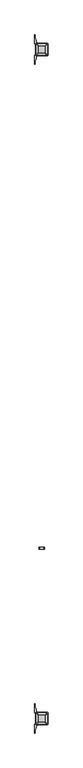
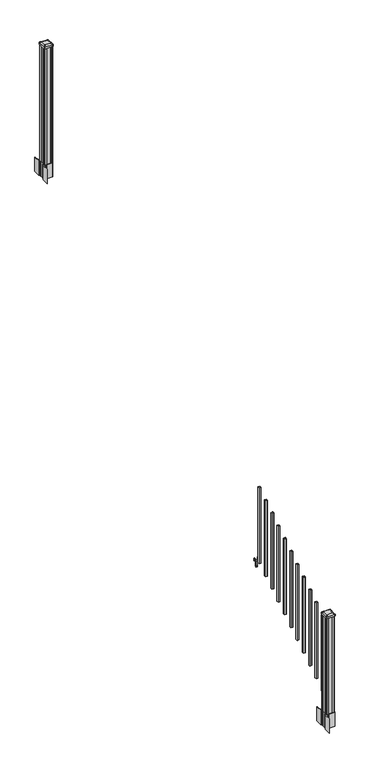
"""IFC4 building model written with IfcOpenShell, lengths in millimetres: railing geometry."""

import ifcopenshell
import ifcopenshell.guid

model = None  # the IFC model being written
_history = None  # IfcOwnerHistory: only IFC2X3 demands one
_inside = {}  # id of a spatial element -> (the spatial element, [elements in it])
_under = {}  # id of a project, library or spatial element -> (it, [spatial elements below it])
_declared = {}  # id of a project -> (the project, [libraries it declares])
_typed = {}  # id of a type object -> (the type object, [elements of that type])
_made_of = {}  # id of a material, layer set ... -> (it, [elements and type objects made of it])


def new_model(schema):
    """Start an empty IFC model of exactly this schema.

    Asked for "IFC4X3", IfcOpenShell would pick the latest addendum, in which some entities
    have other attributes; the version numbers below select the first issue.
    IFC2X3 requires an IfcOwnerHistory on every rooted entity: one is made here for all.
    """
    global model, _history
    if schema == "IFC4X3":
        model = ifcopenshell.file(schema_version=(4, 3, 0, 0))
    else:
        model = ifcopenshell.file(schema=schema)
    _inside.clear()
    _under.clear()
    _declared.clear()
    _typed.clear()
    _made_of.clear()
    _history = None
    if model.schema == "IFC2X3":
        org = make("IfcOrganization", Name="unknown")
        user = make(
            "IfcPersonAndOrganization",
            ThePerson=make("IfcPerson", FamilyName="unknown"),
            TheOrganization=org,
        )
        app = make(
            "IfcApplication",
            ApplicationDeveloper=org,
            Version="unknown",
            ApplicationFullName="unknown",
            ApplicationIdentifier="unknown",
        )
        _history = make(
            "IfcOwnerHistory",
            OwningUser=user,
            OwningApplication=app,
            ChangeAction="ADDED",
            CreationDate=0,
        )
    return model


def make(cls, **values):
    """One entity of the class cls with the attributes given. An attribute that is None is left unset."""
    return model.create_entity(
        cls, **{name: value for name, value in values.items() if value is not None}
    )


def rooted(cls, **values):
    """An entity with a GlobalId (a new one), such as an element, a storey or a relation."""
    return make(cls, GlobalId=ifcopenshell.guid.new(), OwnerHistory=_history, **values)


def si_unit(unit_type, name, prefix=None):
    """IfcSIUnit, for example si_unit("LENGTHUNIT", "METRE", prefix="MILLI")."""
    return make("IfcSIUnit", UnitType=unit_type, Prefix=prefix, Name=name)


def assignment(units):
    """IfcUnitAssignment: the units of a project."""
    return None if units is None else make("IfcUnitAssignment", Units=units)


def point(xyz):
    """IfcCartesianPoint."""
    return None if xyz is None else make("IfcCartesianPoint", Coordinates=xyz)


def direction(xyz):
    """IfcDirection."""
    return None if xyz is None else make("IfcDirection", DirectionRatios=xyz)


def frame(location, z_axis=None, x_axis=None):
    """IfcAxis2Placement3D, a coordinate frame: its origin and axes. An axis left out is left unset."""
    return make(
        "IfcAxis2Placement3D",
        Location=point(location),
        Axis=direction(z_axis),
        RefDirection=direction(x_axis),
    )


def frame_2d(location, x_axis=None):
    """IfcAxis2Placement2D, a coordinate frame in the plane: its origin and x axis."""
    return make(
        "IfcAxis2Placement2D", Location=point(location), RefDirection=direction(x_axis)
    )


def origin():
    """The frame at (0, 0, 0) with its axes left unset."""
    return frame((0.0, 0.0, 0.0))


def place(relative_to, where):
    """IfcLocalPlacement: puts the frame where relative to a parent placement (None: the world)."""
    return make(
        "IfcLocalPlacement", PlacementRelTo=relative_to, RelativePlacement=where
    )


def context(
    kind, dimensions, precision=None, world=None, true_north=None, identifier=None
):
    """IfcGeometricRepresentationContext, for example the 3D "Model" context."""
    return make(
        "IfcGeometricRepresentationContext",
        ContextIdentifier=identifier,
        ContextType=kind,
        CoordinateSpaceDimension=dimensions,
        Precision=precision,
        WorldCoordinateSystem=world,
        TrueNorth=true_north,
    )


def project(units=None, contexts=None):
    """IfcProject with its units and contexts."""
    return rooted(
        "IfcProject",
        Name="project",
        RepresentationContexts=contexts,
        UnitsInContext=assignment(units),
    )


def spatial(cls, under=None, at=None, **own):
    """A site, building, storey or space (cls), placed at a placement, below another one or the project."""
    s = rooted(cls, ObjectPlacement=at, **own)
    if under is not None:
        _under.setdefault(under.id(), (under, []))[1].append(s)
    return s


def polyline(points):
    """IfcPolyline through the points."""
    return make("IfcPolyline", Points=[point(p) for p in points])


def circle_curve(where, radius):
    """IfcCircle in the frame where."""
    return make("IfcCircle", Position=where, Radius=radius)


def trimmed(basis, trim1, trim2, sense, master):
    """IfcTrimmedCurve: the piece of a basis curve between two trims."""
    return make(
        "IfcTrimmedCurve",
        BasisCurve=basis,
        Trim1=trim1,
        Trim2=trim2,
        SenseAgreement=sense,
        MasterRepresentation=master,
    )


def segment(curve, same_sense, transition):
    """IfcCompositeCurveSegment."""
    return make(
        "IfcCompositeCurveSegment",
        Transition=transition,
        SameSense=same_sense,
        ParentCurve=curve,
    )


def composite_curve(segments, self_intersect=None):
    """IfcCompositeCurve: segments joined end to end."""
    return make("IfcCompositeCurve", Segments=segments, SelfIntersect=self_intersect)


def outline(outer, holes=None, kind="AREA"):
    """IfcArbitraryClosedProfileDef: a profile drawn as a closed curve; with holes, ...WithVoids."""
    if holes is None:
        return make("IfcArbitraryClosedProfileDef", ProfileType=kind, OuterCurve=outer)
    return make(
        "IfcArbitraryProfileDefWithVoids",
        ProfileType=kind,
        OuterCurve=outer,
        InnerCurves=holes,
    )


def extrude(swept, where, along, depth):
    """IfcExtrudedAreaSolid: the profile swept, set in the frame where, extruded along a direction by depth."""
    return make(
        "IfcExtrudedAreaSolid",
        SweptArea=swept,
        Position=where,
        ExtrudedDirection=direction(along),
        Depth=depth,
    )


def shape(context_of_items, identifier, shape_type, items):
    """IfcShapeRepresentation: the items that make up one representation, for example the "Body"."""
    return make(
        "IfcShapeRepresentation",
        ContextOfItems=context_of_items,
        RepresentationIdentifier=identifier,
        RepresentationType=shape_type,
        Items=items,
    )


def source(mapping_origin, context_of_items, identifier, shape_type, items):
    """IfcRepresentationMap: a shape defined once, which mapped items show again and again."""
    return make(
        "IfcRepresentationMap",
        MappingOrigin=mapping_origin,
        MappedRepresentation=shape(context_of_items, identifier, shape_type, items),
    )


def transform(
    local_origin,
    x_axis=None,
    y_axis=None,
    z_axis=None,
    scale=None,
    scale2=None,
    scale3=None,
    uniform=True,
):
    """IfcCartesianTransformationOperator3D, or its non-uniform kind. x_axis, y_axis, z_axis: its Axis1, 2, 3."""
    if uniform:
        return make(
            "IfcCartesianTransformationOperator3D",
            Axis1=direction(x_axis),
            Axis2=direction(y_axis),
            LocalOrigin=point(local_origin),
            Scale=scale,
            Axis3=direction(z_axis),
        )
    return make(
        "IfcCartesianTransformationOperator3DnonUniform",
        Axis1=direction(x_axis),
        Axis2=direction(y_axis),
        LocalOrigin=point(local_origin),
        Scale=scale,
        Axis3=direction(z_axis),
        Scale2=scale2,
        Scale3=scale3,
    )


def mapped(mapping_source, mapping_target):
    """IfcMappedItem: shows the shape of a source again, moved by a transform."""
    return make(
        "IfcMappedItem", MappingSource=mapping_source, MappingTarget=mapping_target
    )


def made_of(thing, what):
    """Note that an element or type object is made of a material, layer set ...; save() writes the relation."""
    if what is not None:
        _made_of.setdefault(what.id(), (what, []))[1].append(thing)
    return thing


def element(
    cls,
    number,
    at=None,
    inside=None,
    cuts=None,
    type_object=None,
    material=None,
    context=None,
    identifier="Body",
    shape_type=None,
    held_by="IfcProductDefinitionShape",
    body=None,
    shapes=None,
    **own,
):
    """One element of the class cls, such as IfcWall. Its Tag is "e" and its number.

    at: its placement. inside: the storey or other place that contains it. cuts: it is an
    opening in that element (IfcRelVoidsElement). A single representation is given by context,
    identifier, shape_type and body (its items); several are given by shapes. held_by: the class
    of the entity that holds the representations. save() writes the other relations.
    """
    e = rooted(cls, Tag="e%d" % number, ObjectPlacement=at, **own)
    if body is not None:
        shapes = [shape(context, identifier, shape_type, body)]
    if shapes is not None:
        e.Representation = make(held_by, Representations=shapes)
    if inside is not None:
        _inside.setdefault(inside.id(), (inside, []))[1].append(e)
    if cuts is not None:
        rooted(
            "IfcRelVoidsElement", RelatingBuildingElement=cuts, RelatedOpeningElement=e
        )
    if type_object is not None:
        _typed.setdefault(type_object.id(), (type_object, []))[1].append(e)
    return made_of(e, material)


def aggregate(whole, parts):
    """IfcRelAggregates: a whole, such as a stair, and the parts it consists of."""
    return rooted("IfcRelAggregates", RelatingObject=whole, RelatedObjects=parts)


def save(model, path):
    """Write the relations noted so far, then the file.

    IfcRelAggregates (storeys below a building ...), IfcRelContainedInSpatialStructure (elements
    in a storey), IfcRelDefinesByType, IfcRelAssociatesMaterial and IfcRelDeclares: one each for
    every whole, place, type object, material and project.
    """
    for whole, parts in _under.values():
        aggregate(whole, parts)
    for where, things in _inside.values():
        rooted(
            "IfcRelContainedInSpatialStructure",
            RelatedElements=things,
            RelatingStructure=where,
        )
    for kind, things in _typed.values():
        rooted("IfcRelDefinesByType", RelatedObjects=things, RelatingType=kind)
    for what, things in _made_of.values():
        rooted("IfcRelAssociatesMaterial", RelatedObjects=things, RelatingMaterial=what)
    for by, libraries in _declared.values():
        rooted("IfcRelDeclares", RelatingContext=by, RelatedDefinitions=libraries)
    model.write(path)


def plane_surface(at):
    """IfcPlane: the flat surface through the origin of the frame at, square to its z axis."""
    return make("IfcPlane", Position=at)


def extruded_surface(curve, direction_of_extrusion, depth):
    """IfcSurfaceOfLinearExtrusion: the curve pushed along a direction by depth."""
    return make(
        "IfcSurfaceOfLinearExtrusion",
        SweptCurve=make("IfcArbitraryOpenProfileDef", ProfileType="CURVE", Curve=curve),
        ExtrudedDirection=direction(direction_of_extrusion),
        Depth=depth,
    )


def advanced_brep(points, edges, surfaces, faces):
    """IfcAdvancedBrep: a solid bounded by faces that lie on surfaces and meet in shared edges.

    An edge is (start, end): straight between two places in points (the first is 0);
    or (start, end, curve); or (start, end, curve, False) where it runs against its curve.
    A face is (place in surfaces, loops), or (place, loops, False) where it looks against
    its surface's normal. A loop lists edges by number (the first is 1), with a minus sign
    where the edge is run from its end to its start. The first loop is the outer one.
    """
    corners = [point(p) for p in points]
    vertices = [make("IfcVertexPoint", VertexGeometry=c) for c in corners]
    made = []
    for start, end, *more in edges:
        made.append(
            make(
                "IfcEdgeCurve",
                EdgeStart=vertices[start],
                EdgeEnd=vertices[end],
                EdgeGeometry=more[0] if more else make("IfcPolyline", Points=[corners[start], corners[end]]),
                SameSense=more[1] if len(more) > 1 else True,
            )
        )
    hull = []
    for where, loops, *sense in faces:
        bounds = []
        for j, loop in enumerate(loops):
            ring = [make("IfcOrientedEdge", EdgeElement=made[abs(k) - 1], Orientation=k > 0) for k in loop]
            bounds.append(
                make(
                    "IfcFaceOuterBound" if j == 0 else "IfcFaceBound",
                    Bound=make("IfcEdgeLoop", EdgeList=ring),
                    Orientation=True,
                )
            )
        hull.append(make("IfcAdvancedFace", Bounds=bounds, FaceSurface=surfaces[where], SameSense=sense[0] if sense else True))
    return make("IfcAdvancedBrep", Outer=make("IfcClosedShell", CfsFaces=hull))


def railing_d14e1f34(model_context):
    return source(origin(), model_context, "Body", "SolidModel", [
        extrude(outline(polyline([(1042.0141479, 11226.1192046), (1041.2521469, 11225.3572035), (1014.7617523, 11225.3572035), (1013.9997513, 11226.1192046), (1013.9997513, 11236.1522036), (1013.2377512, 11236.9142037), (949.7377512, 11236.9142037), (949.7377512, 11251.646204), (1013.2377512, 11251.646204), (1013.9997513, 11252.4082041), (1013.9997513, 11262.4412032), (1014.7617523, 11263.2032042), (1041.2521469, 11263.2032042), (1042.0141479, 11262.4412032), (1042.0141479, 11260.4092036), (1040.9981453, 11259.3932038), (1030.5623581, 11259.3932038), (1029.5463573, 11260.4092036), (1017.555751, 11260.4092036), (1016.7937519, 11259.6472044), (1016.7937519, 11228.9132033), (1017.555751, 11228.1512041), (1029.5463573, 11228.1512041), (1030.5623581, 11229.1672039), (1040.9981453, 11229.1672039), (1042.0141479, 11228.1512041), (1042.0141479, 11226.1192046)]), holes=[polyline([(1013.9997513, 11247.7092038), (1013.2377512, 11248.4712038), (957.2307531, 11248.4712038), (956.4687531, 11247.7092038), (956.4687531, 11240.8512011), (957.2307503, 11240.0892039), (1013.2377512, 11240.0892039), (1013.9997513, 11240.851204), (1013.9997513, 11247.7092038)])]), frame((0.0, -6456.7154681, 0.0), z_axis=(0.0, 1.0, 0.0), x_axis=(0.0, 0.0, 1.0)), (0.0, 0.0, 1.0), 14.732),
        extrude(outline(polyline([(11253.8052034, -6514.5004681), (11234.7552034, -6514.5004681), (11234.7552034, -6495.4504681), (11253.8052034, -6495.4504681), (11253.8052034, -6514.5004681)]), holes=[polyline([(11253.4083284, -6514.1035931), (11253.4083284, -6495.8473431), (11235.1520784, -6495.8473431), (11235.1520784, -6514.1035931), (11253.4083284, -6514.1035931)])]), frame((0.0, 0.0, 1020.1233781), z_axis=(0.0, 0.0, 1.0), x_axis=(1.0, 0.0, 0.0)), (0.0, 0.0, 1.0), 812.8041219),
        extrude(outline(polyline([(11253.8052034, -6625.7524681), (11234.7552034, -6625.7524681), (11234.7552034, -6606.7024681), (11253.8052034, -6606.7024681), (11253.8052034, -6625.7524681)]), holes=[polyline([(11253.4083284, -6625.3555931), (11253.4083284, -6607.0993431), (11235.1520784, -6607.0993431), (11235.1520784, -6625.3555931), (11253.4083284, -6625.3555931)])]), frame((0.0, 0.0, 950.5908781), z_axis=(0.0, 0.0, 1.0), x_axis=(1.0, 0.0, 0.0)), (0.0, 0.0, 1.0), 812.8041219),
        extrude(outline(polyline([(11253.8052034, -6737.0044681), (11234.7552034, -6737.0044681), (11234.7552034, -6717.9544681), (11253.8052034, -6717.9544681), (11253.8052034, -6737.0044681)]), holes=[polyline([(11253.4083284, -6736.6075931), (11253.4083284, -6718.3513431), (11235.1520784, -6718.3513431), (11235.1520784, -6736.6075931), (11253.4083284, -6736.6075931)])]), frame((0.0, 0.0, 881.0583781), z_axis=(0.0, 0.0, 1.0), x_axis=(1.0, 0.0, 0.0)), (0.0, 0.0, 1.0), 812.8041219),
        extrude(outline(polyline([(11253.8052034, -6848.2564681), (11234.7552034, -6848.2564681), (11234.7552034, -6829.2064681), (11253.8052034, -6829.2064681), (11253.8052034, -6848.2564681)]), holes=[polyline([(11253.4083284, -6847.8595931), (11253.4083284, -6829.6033431), (11235.1520784, -6829.6033431), (11235.1520784, -6847.8595931), (11253.4083284, -6847.8595931)])]), frame((0.0, 0.0, 811.5258781), z_axis=(0.0, 0.0, 1.0), x_axis=(1.0, 0.0, 0.0)), (0.0, 0.0, 1.0), 812.8041219),
        extrude(outline(polyline([(11253.8052034, -6959.5084681), (11234.7552034, -6959.5084681), (11234.7552034, -6940.4584681), (11253.8052034, -6940.4584681), (11253.8052034, -6959.5084681)]), holes=[polyline([(11253.4083284, -6959.1115931), (11253.4083284, -6940.8553431), (11235.1520784, -6940.8553431), (11235.1520784, -6959.1115931), (11253.4083284, -6959.1115931)])]), frame((0.0, 0.0, 741.9933781), z_axis=(0.0, 0.0, 1.0), x_axis=(1.0, 0.0, 0.0)), (0.0, 0.0, 1.0), 812.8041219),
        extrude(outline(polyline([(11253.8052034, -7070.7604681), (11234.7552034, -7070.7604681), (11234.7552034, -7051.7104681), (11253.8052034, -7051.7104681), (11253.8052034, -7070.7604681)]), holes=[polyline([(11253.4083284, -7070.3635931), (11253.4083284, -7052.1073431), (11235.1520784, -7052.1073431), (11235.1520784, -7070.3635931), (11253.4083284, -7070.3635931)])]), frame((0.0, 0.0, 672.4608781), z_axis=(0.0, 0.0, 1.0), x_axis=(1.0, 0.0, 0.0)), (0.0, 0.0, 1.0), 812.8041219),
        extrude(outline(polyline([(11253.8052034, -7182.0124681), (11234.7552034, -7182.0124681), (11234.7552034, -7162.9624681), (11253.8052034, -7162.9624681), (11253.8052034, -7182.0124681)]), holes=[polyline([(11253.4083284, -7181.6155931), (11253.4083284, -7163.3593431), (11235.1520784, -7163.3593431), (11235.1520784, -7181.6155931), (11253.4083284, -7181.6155931)])]), frame((0.0, 0.0, 602.9283781), z_axis=(0.0, 0.0, 1.0), x_axis=(1.0, 0.0, 0.0)), (0.0, 0.0, 1.0), 812.8041219),
        extrude(outline(polyline([(11253.8052034, -7293.2644681), (11234.7552034, -7293.2644681), (11234.7552034, -7274.2144681), (11253.8052034, -7274.2144681), (11253.8052034, -7293.2644681)]), holes=[polyline([(11253.4083284, -7292.8675931), (11253.4083284, -7274.6113431), (11235.1520784, -7274.6113431), (11235.1520784, -7292.8675931), (11253.4083284, -7292.8675931)])]), frame((0.0, 0.0, 533.3958781), z_axis=(0.0, 0.0, 1.0), x_axis=(1.0, 0.0, 0.0)), (0.0, 0.0, 1.0), 812.8041219),
        extrude(outline(polyline([(11253.8052034, -7404.5164681), (11234.7552034, -7404.5164681), (11234.7552034, -7385.4664681), (11253.8052034, -7385.4664681), (11253.8052034, -7404.5164681)]), holes=[polyline([(11253.4083284, -7404.1195931), (11253.4083284, -7385.8633431), (11235.1520784, -7385.8633431), (11235.1520784, -7404.1195931), (11253.4083284, -7404.1195931)])]), frame((0.0, 0.0, 463.8633781), z_axis=(0.0, 0.0, 1.0), x_axis=(1.0, 0.0, 0.0)), (0.0, 0.0, 1.0), 812.8041219),
        extrude(outline(polyline([(11253.8052034, -7515.7684681), (11234.7552034, -7515.7684681), (11234.7552034, -7496.7184681), (11253.8052034, -7496.7184681), (11253.8052034, -7515.7684681)]), holes=[polyline([(11253.4083284, -7515.3715931), (11253.4083284, -7497.1153431), (11235.1520784, -7497.1153431), (11235.1520784, -7515.3715931), (11253.4083284, -7515.3715931)])]), frame((0.0, 0.0, 394.3308781), z_axis=(0.0, 0.0, 1.0), x_axis=(1.0, 0.0, 0.0)), (0.0, 0.0, 1.0), 812.8041219),
        extrude(outline(polyline([(11253.8052034, -7627.0204681), (11234.7552034, -7627.0204681), (11234.7552034, -7607.9704681), (11253.8052034, -7607.9704681), (11253.8052034, -7627.0204681)]), holes=[polyline([(11253.4083284, -7626.6235931), (11253.4083284, -7608.3673431), (11235.1520784, -7608.3673431), (11235.1520784, -7626.6235931), (11253.4083284, -7626.6235931)])]), frame((0.0, 0.0, 324.7983781), z_axis=(0.0, 0.0, 1.0), x_axis=(1.0, 0.0, 0.0)), (0.0, 0.0, 1.0), 812.8041219),
        extrude(outline(polyline([(11204.5927034, -2792.8924681), (11203.0052034, -2791.3049681), (11203.0052034, -2771.6834681), (11204.5927034, -2770.9214681), (11204.5927034, -2732.3134681), (11203.0052034, -2731.5514681), (11203.0052034, -2711.9299681), (11204.5927034, -2710.3424681), (11224.2142034, -2710.3424681), (11224.9762034, -2711.9299681), (11263.5842034, -2711.9299681), (11264.3462034, -2710.3424681), (11283.9677034, -2710.3424681), (11285.5552034, -2711.9299681), (11285.5552034, -2731.5514681), (11283.9677034, -2732.3134681), (11283.9677034, -2770.9214681), (11285.5552034, -2771.6834681), (11285.5552034, -2791.3049681), (11283.9677034, -2792.8924681), (11264.3462034, -2792.8924681), (11263.5842034, -2791.3049681), (11224.9762034, -2791.3049681), (11224.2142034, -2792.8924681), (11204.5927034, -2792.8924681)])), frame((0.0, 0.0, 3048.0), z_axis=(0.0, 0.0, 1.0), x_axis=(1.0, 0.0, 0.0)), (0.0, 0.0, 1.0), 1247.740513),
        extrude(outline(composite_curve([segment(polyline([(11287.0157034, -2769.003563), (11288.6032034, -2769.765563), (11288.6032034, -2792.567491), (11285.2302263, -2795.9404681), (11223.7705555, -2795.9404681), (11223.7705555, -2796.8612181), (11218.4530117, -2796.8612181), (11218.4530117, -2798.3154728), (11213.368482, -2798.3154728), (11213.368482, -2799.5994966), (11211.7012097, -2799.5994966)]), True, "CONTINUOUS"), segment(trimmed(circle_curve(frame_2d((11211.7012097, -2806.6589565)), 7.0594599), [point((11211.7012097, -2799.5994966))], [point((11204.9339468, -2804.6489498))], True, "CARTESIAN"), True, "CONTINUOUS"), segment(polyline([(11204.9339468, -2804.6489498), (11197.0597526, -2831.1596789)]), True, "CONTINUOUS"), segment(trimmed(circle_curve(frame_2d((11251.8442659, -2847.4317285)), 57.15), [point((11197.0597526, -2831.1596789))], [point((11194.6942659, -2847.4317285))], True, "CARTESIAN"), True, "CONTINUOUS"), segment(polyline([(11194.6942659, -2847.4317285), (11194.6942659, -2859.4404681), (11191.6942659, -2859.4404681), (11191.6942659, -2794.3529681), (11199.9572034, -2783.0146768), (11199.9572034, -2769.765563), (11201.5447034, -2769.003563), (11201.5447034, -2734.2313732), (11199.9572034, -2733.4693732), (11199.9572034, -2720.2202594), (11191.6942659, -2708.8819681), (11191.6942659, -2643.7944681), (11194.6942659, -2643.7944681), (11194.6942659, -2655.8032076)]), True, "CONTINUOUS"), segment(trimmed(circle_curve(frame_2d((11251.8442659, -2655.8032076)), 57.15), [point((11194.6942659, -2655.8032076))], [point((11197.0597526, -2672.0752573))], True, "CARTESIAN"), True, "CONTINUOUS"), segment(polyline([(11197.0597526, -2672.0752573), (11204.9339468, -2698.5859864)]), True, "CONTINUOUS"), segment(trimmed(circle_curve(frame_2d((11211.7012097, -2696.5759797)), 7.0594599), [point((11204.9339468, -2698.5859864))], [point((11211.7012097, -2703.6354396))], True, "CARTESIAN"), True, "CONTINUOUS"), segment(polyline([(11211.7012097, -2703.6354396), (11213.368482, -2703.6354396), (11213.368482, -2704.9194634), (11218.4530117, -2704.9194634), (11218.4530117, -2706.3737181), (11223.7705555, -2706.3737181), (11223.7705555, -2707.2944681), (11285.2302263, -2707.2944681), (11288.6032034, -2710.6674452), (11288.6032034, -2733.4693732), (11287.0157034, -2734.2313732), (11287.0157034, -2769.003563)]), True, "CONTINUOUS")], self_intersect=False), holes=[polyline([(11203.0052034, -2711.9299681), (11203.0052034, -2791.3049681), (11204.5927034, -2792.8924681), (11241.516986, -2792.8924681), (11283.9677034, -2792.8924681), (11285.5552034, -2791.3049681), (11285.5552034, -2711.9299681), (11283.9677034, -2710.3424681), (11241.516986, -2710.3424681), (11204.5927034, -2710.3424681), (11203.0052034, -2711.9299681)])]), frame((0.0, 0.0, 2895.6), z_axis=(0.0, 0.0, 1.0), x_axis=(1.0, 0.0, 0.0)), (0.0, 0.0, 1.0), 152.4),
        advanced_brep(
        [(11218.4833284, -2780.5893431, 4324.315513), (11270.0770784, -2780.5893431, 4324.315513), (11273.2520784, -2777.4143431, 4324.315513), (11273.2520784, -2725.8205931, 4324.315513), (11270.0770784, -2722.6455931, 4324.315513), (11218.4833284, -2722.6455931, 4324.315513), (11215.3083284, -2725.8205931, 4324.315513), (11215.3083284, -2777.4143431, 4324.315513), (11202.2114534, -2796.8612181, 4313.012513), (11199.0364534, -2793.6862181, 4313.012513), (11199.0364534, -2709.5487181, 4313.012513), (11202.2114534, -2706.3737181, 4313.012513), (11286.3489534, -2706.3737181, 4313.012513), (11289.5239534, -2709.5487181, 4313.012513), (11289.5239534, -2793.6862181, 4313.012513), (11286.3489534, -2796.8612181, 4313.012513)],
        [
            (0, 1),
            (1, 2, circle_curve(frame((11270.0770784, -2777.4143431, 4324.315513), z_axis=(0.0, 0.0, 1.0), x_axis=(0.0, 1.0, 0.0)), 3.175)),
            (2, 3),
            (3, 4, circle_curve(frame((11270.0770784, -2725.8205931, 4324.315513), z_axis=(0.0, 0.0, 1.0), x_axis=(0.0, 1.0, 0.0)), 3.175)),
            (4, 5),
            (5, 6, circle_curve(frame((11218.4833284, -2725.8205931, 4324.315513), z_axis=(0.0, 0.0, 1.0), x_axis=(0.0, 1.0, 0.0)), 3.175)),
            (6, 7),
            (7, 0, circle_curve(frame((11218.4833284, -2777.4143431, 4324.315513), z_axis=(0.0, 0.0, 1.0), x_axis=(0.0, 1.0, 0.0)), 3.175)),
            (8, 9, circle_curve(frame((11202.2114534, -2793.6862181, 4313.012513), z_axis=(0.0, 0.0, -1.0), x_axis=(0.0, 1.0, 0.0)), 3.175)),
            (9, 10),
            (10, 11, circle_curve(frame((11202.2114534, -2709.5487181, 4313.012513), z_axis=(0.0, 0.0, -1.0), x_axis=(0.0, 1.0, 0.0)), 3.175)),
            (11, 12),
            (12, 13, circle_curve(frame((11286.3489534, -2709.5487181, 4313.012513), z_axis=(0.0, 0.0, -1.0), x_axis=(0.0, 1.0, 0.0)), 3.175)),
            (13, 14),
            (14, 15, circle_curve(frame((11286.3489534, -2793.6862181, 4313.012513), z_axis=(0.0, 0.0, -1.0), x_axis=(0.0, 1.0, 0.0)), 3.175)),
            (15, 8),
            (8, 0),
            (7, 9),
            (6, 10),
            (5, 11),
            (4, 12),
            (3, 13),
            (2, 14),
            (1, 15),
        ],
        [
            plane_surface(frame((11244.2802034, -2751.6174681, 4324.315513), z_axis=(0.0, 0.0, 1.0), x_axis=(-1.0, 0.0, 0.0))),
            plane_surface(frame((11244.2802034, -2751.6174681, 4313.012513), z_axis=(0.0, 0.0, -1.0), x_axis=(-1.0, 0.0, 0.0))),
            extruded_surface(trimmed(circle_curve(frame((11218.4833284, -2777.4143431, 4324.315513), z_axis=(0.0, 0.0, -1.0), x_axis=(0.0, 1.0, 0.0)), 3.175), [point((11218.4833284, -2780.5893431, 4324.315513))], [point((11215.3083284, -2777.4143431, 4324.315513))], True, "CARTESIAN"), (-16.271875000000364, -16.27187499999991, -11.302999999999884), 25.637972638866284),
            plane_surface(frame((11199.0364534, -2751.6174681, 4313.012513), z_axis=(-0.5705009161540687, 0.0, 0.8212969649690472), x_axis=(0.0, 1.0, 0.0))),
            extruded_surface(trimmed(circle_curve(frame((11218.4833284, -2725.8205931, 4324.315513), z_axis=(0.0, 0.0, -1.0), x_axis=(0.0, 1.0, 0.0)), 3.175), [point((11215.3083284, -2725.8205931, 4324.315513))], [point((11218.4833284, -2722.6455931, 4324.315513))], True, "CARTESIAN"), (-16.271875000000364, 16.271875000000364, -11.302999999999884), 25.63797263886657),
            plane_surface(frame((11244.2802034, -2706.3737181, 4313.012513), z_axis=(0.0, 0.5705009161540291, 0.8212969649690747), x_axis=(1.0, 0.0, 0.0))),
            extruded_surface(trimmed(circle_curve(frame((11270.0770784, -2725.8205931, 4324.315513), z_axis=(0.0, 0.0, -1.0), x_axis=(0.0, 1.0, 0.0)), 3.175), [point((11270.0770784, -2722.6455931, 4324.315513))], [point((11273.2520784, -2725.8205931, 4324.315513))], True, "CARTESIAN"), (16.271875000000364, 16.271875000000364, -11.302999999999884), 25.63797263886657),
            plane_surface(frame((11289.5239534, -2751.6174681, 4313.012513), z_axis=(0.5705009161540233, 0.0, 0.8212969649690787), x_axis=(0.0, -1.0, 0.0))),
            extruded_surface(trimmed(circle_curve(frame((11270.0770784, -2777.4143431, 4324.315513), z_axis=(0.0, 0.0, -1.0), x_axis=(0.0, 1.0, 0.0)), 3.175), [point((11273.2520784, -2777.4143431, 4324.315513))], [point((11270.0770784, -2780.5893431, 4324.315513))], True, "CARTESIAN"), (16.271875000000364, -16.27187499999991, -11.302999999999884), 25.637972638866284),
            plane_surface(frame((11244.2802034, -2796.8612181, 4313.012513), z_axis=(0.0, -0.570500916154034, 0.8212969649690713), x_axis=(-1.0, 0.0, 0.0))),
        ],
        [
            (0, [[1, 2, 3, 4, 5, 6, 7, 8]]),
            (1, [[9, 10, 11, 12, 13, 14, 15, 16]]),
            (2, [[17, -8, 18, -9]]),
            (3, [[-18, -7, 19, -10]]),
            (4, [[-19, -6, 20, -11]]),
            (5, [[-20, -5, 21, -12]]),
            (6, [[-21, -4, 22, -13]]),
            (7, [[-22, -3, 23, -14]]),
            (8, [[-23, -2, 24, -15]]),
            (9, [[-24, -1, -17, -16]]),
        ],
    ),
        extrude(outline(composite_curve([segment(trimmed(circle_curve(frame_2d((11202.2114534, -2793.6862181)), 3.175), [point((11202.2114534, -2796.8612181))], [point((11199.0364534, -2793.6862181))], False, "CARTESIAN"), True, "CONTINUOUS"), segment(polyline([(11199.0364534, -2793.6862181), (11199.0364534, -2709.5487181)]), True, "CONTINUOUS"), segment(trimmed(circle_curve(frame_2d((11202.2114534, -2709.5487181)), 3.175), [point((11199.0364534, -2709.5487181))], [point((11202.2114534, -2706.3737181))], False, "CARTESIAN"), True, "CONTINUOUS"), segment(polyline([(11202.2114534, -2706.3737181), (11286.3489534, -2706.3737181)]), True, "CONTINUOUS"), segment(trimmed(circle_curve(frame_2d((11286.3489534, -2709.5487181)), 3.175), [point((11286.3489534, -2706.3737181))], [point((11289.5239534, -2709.5487181))], False, "CARTESIAN"), True, "CONTINUOUS"), segment(polyline([(11289.5239534, -2709.5487181), (11289.5239534, -2793.6862181)]), True, "CONTINUOUS"), segment(trimmed(circle_curve(frame_2d((11286.3489534, -2793.6862181)), 3.175), [point((11289.5239534, -2793.6862181))], [point((11286.3489534, -2796.8612181))], False, "CARTESIAN"), True, "CONTINUOUS"), segment(polyline([(11286.3489534, -2796.8612181), (11202.2114534, -2796.8612181)]), True, "CONTINUOUS")], self_intersect=False)), frame((0.0, 0.0, 4295.740513), z_axis=(0.0, 0.0, 1.0), x_axis=(1.0, 0.0, 0.0)), (0.0, 0.0, 1.0), 17.272),
        extrude(outline(composite_curve([segment(polyline([(11287.0157034, -7728.607563), (11288.6032034, -7729.369563), (11288.6032034, -7752.171491), (11285.2302263, -7755.5444681), (11223.7705555, -7755.5444681), (11223.7705555, -7756.4652181), (11218.4530117, -7756.4652181), (11218.4530117, -7757.9194728), (11213.368482, -7757.9194728), (11213.368482, -7759.2034966), (11211.7012097, -7759.2034966)]), True, "CONTINUOUS"), segment(trimmed(circle_curve(frame_2d((11211.7012097, -7766.2629565)), 7.0594599), [point((11211.7012097, -7759.2034966))], [point((11204.9339468, -7764.2529498))], True, "CARTESIAN"), True, "CONTINUOUS"), segment(polyline([(11204.9339468, -7764.2529498), (11197.0597526, -7790.7636789)]), True, "CONTINUOUS"), segment(trimmed(circle_curve(frame_2d((11251.8442659, -7807.0357285)), 57.15), [point((11197.0597526, -7790.7636789))], [point((11194.6942659, -7807.0357285))], True, "CARTESIAN"), True, "CONTINUOUS"), segment(polyline([(11194.6942659, -7807.0357285), (11194.6942659, -7819.0444681), (11191.6942659, -7819.0444681), (11191.6942659, -7753.9569681), (11199.9572034, -7742.6186768), (11199.9572034, -7729.369563), (11201.5447034, -7728.607563), (11201.5447034, -7693.8353732), (11199.9572034, -7693.0733732), (11199.9572034, -7679.8242594), (11191.6942659, -7668.4859681), (11191.6942659, -7603.3984681), (11194.6942659, -7603.3984681), (11194.6942659, -7615.4072076)]), True, "CONTINUOUS"), segment(trimmed(circle_curve(frame_2d((11251.8442659, -7615.4072076)), 57.15), [point((11194.6942659, -7615.4072076))], [point((11197.0597526, -7631.6792573))], True, "CARTESIAN"), True, "CONTINUOUS"), segment(polyline([(11197.0597526, -7631.6792573), (11204.9339468, -7658.1899864)]), True, "CONTINUOUS"), segment(trimmed(circle_curve(frame_2d((11211.7012097, -7656.1799797)), 7.0594599), [point((11204.9339468, -7658.1899864))], [point((11211.7012097, -7663.2394396))], True, "CARTESIAN"), True, "CONTINUOUS"), segment(polyline([(11211.7012097, -7663.2394396), (11213.368482, -7663.2394396), (11213.368482, -7664.5234634), (11218.4530117, -7664.5234634), (11218.4530117, -7665.9777181), (11223.7705555, -7665.9777181), (11223.7705555, -7666.8984681), (11285.2302263, -7666.8984681), (11288.6032034, -7670.2714452), (11288.6032034, -7693.0733732), (11287.0157034, -7693.8353732), (11287.0157034, -7728.607563)]), True, "CONTINUOUS")], self_intersect=False), holes=[polyline([(11203.0052034, -7671.5339681), (11203.0052034, -7750.9089681), (11204.5927034, -7752.4964681), (11241.516986, -7752.4964681), (11283.9677034, -7752.4964681), (11285.5552034, -7750.9089681), (11285.5552034, -7671.5339681), (11283.9677034, -7669.9464681), (11241.516986, -7669.9464681), (11204.5927034, -7669.9464681), (11203.0052034, -7671.5339681)])]), frame((0.0, 0.0, 12.22375), z_axis=(0.0, 0.0, 1.0), x_axis=(1.0, 0.0, 0.0)), (0.0, 0.0, 1.0), 152.4),
        advanced_brep(
        [(11218.4833284, -7740.1933431, 1224.563013), (11270.0770784, -7740.1933431, 1224.563013), (11273.2520784, -7737.0183431, 1224.563013), (11273.2520784, -7685.4245931, 1224.563013), (11270.0770784, -7682.2495931, 1224.563013), (11218.4833284, -7682.2495931, 1224.563013), (11215.3083284, -7685.4245931, 1224.563013), (11215.3083284, -7737.0183431, 1224.563013), (11202.2114534, -7756.4652181, 1213.260013), (11199.0364534, -7753.2902181, 1213.260013), (11199.0364534, -7669.1527181, 1213.260013), (11202.2114534, -7665.9777181, 1213.260013), (11286.3489534, -7665.9777181, 1213.260013), (11289.5239534, -7669.1527181, 1213.260013), (11289.5239534, -7753.2902181, 1213.260013), (11286.3489534, -7756.4652181, 1213.260013)],
        [
            (0, 1),
            (1, 2, circle_curve(frame((11270.0770784, -7737.0183431, 1224.563013), z_axis=(0.0, 0.0, 1.0), x_axis=(0.0, 1.0, 0.0)), 3.175)),
            (2, 3),
            (3, 4, circle_curve(frame((11270.0770784, -7685.4245931, 1224.563013), z_axis=(0.0, 0.0, 1.0), x_axis=(0.0, 1.0, 0.0)), 3.175)),
            (4, 5),
            (5, 6, circle_curve(frame((11218.4833284, -7685.4245931, 1224.563013), z_axis=(0.0, 0.0, 1.0), x_axis=(0.0, 1.0, 0.0)), 3.175)),
            (6, 7),
            (7, 0, circle_curve(frame((11218.4833284, -7737.0183431, 1224.563013), z_axis=(0.0, 0.0, 1.0), x_axis=(0.0, 1.0, 0.0)), 3.175)),
            (8, 9, circle_curve(frame((11202.2114534, -7753.2902181, 1213.260013), z_axis=(0.0, 0.0, -1.0), x_axis=(0.0, 1.0, 0.0)), 3.175)),
            (9, 10),
            (10, 11, circle_curve(frame((11202.2114534, -7669.1527181, 1213.260013), z_axis=(0.0, 0.0, -1.0), x_axis=(0.0, 1.0, 0.0)), 3.175)),
            (11, 12),
            (12, 13, circle_curve(frame((11286.3489534, -7669.1527181, 1213.260013), z_axis=(0.0, 0.0, -1.0), x_axis=(0.0, 1.0, 0.0)), 3.175)),
            (13, 14),
            (14, 15, circle_curve(frame((11286.3489534, -7753.2902181, 1213.260013), z_axis=(0.0, 0.0, -1.0), x_axis=(0.0, 1.0, 0.0)), 3.175)),
            (15, 8),
            (8, 0),
            (7, 9),
            (6, 10),
            (5, 11),
            (4, 12),
            (3, 13),
            (2, 14),
            (1, 15),
        ],
        [
            plane_surface(frame((11244.2802034, -7711.2214681, 1224.563013), z_axis=(0.0, 0.0, 1.0), x_axis=(-1.0, 0.0, 0.0))),
            plane_surface(frame((11244.2802034, -7711.2214681, 1213.260013), z_axis=(0.0, 0.0, -1.0), x_axis=(-1.0, 0.0, 0.0))),
            extruded_surface(trimmed(circle_curve(frame((11218.4833284, -7737.0183431, 1224.563013), z_axis=(0.0, 0.0, -1.0), x_axis=(0.0, 1.0, 0.0)), 3.175), [point((11218.4833284, -7740.1933431, 1224.563013))], [point((11215.3083284, -7737.0183431, 1224.563013))], True, "CARTESIAN"), (-16.271875000000364, -16.271875000000364, -11.302999999999884), 25.63797263886657),
            plane_surface(frame((11199.0364534, -7711.2214681, 1213.260013), z_axis=(-0.5705009161540778, 0.0, 0.8212969649690408), x_axis=(0.0, 1.0, 0.0))),
            extruded_surface(trimmed(circle_curve(frame((11218.4833284, -7685.4245931, 1224.563013), z_axis=(0.0, 0.0, -1.0), x_axis=(0.0, 1.0, 0.0)), 3.175), [point((11215.3083284, -7685.4245931, 1224.563013))], [point((11218.4833284, -7682.2495931, 1224.563013))], True, "CARTESIAN"), (-16.271875000000364, 16.271874999999454, -11.302999999999884), 25.637972638865996),
            plane_surface(frame((11244.2802034, -7665.9777181, 1213.260013), z_axis=(0.0, 0.5705009161540291, 0.8212969649690747), x_axis=(1.0, 0.0, 0.0))),
            extruded_surface(trimmed(circle_curve(frame((11270.0770784, -7685.4245931, 1224.563013), z_axis=(0.0, 0.0, -1.0), x_axis=(0.0, 1.0, 0.0)), 3.175), [point((11270.0770784, -7682.2495931, 1224.563013))], [point((11273.2520784, -7685.4245931, 1224.563013))], True, "CARTESIAN"), (16.271875000000364, 16.271874999999454, -11.302999999999884), 25.637972638865996),
            plane_surface(frame((11289.5239534, -7711.2214681, 1213.260013), z_axis=(0.5705009161540142, 0.0, 0.8212969649690851), x_axis=(0.0, -1.0, 0.0))),
            extruded_surface(trimmed(circle_curve(frame((11270.0770784, -7737.0183431, 1224.563013), z_axis=(0.0, 0.0, -1.0), x_axis=(0.0, 1.0, 0.0)), 3.175), [point((11273.2520784, -7737.0183431, 1224.563013))], [point((11270.0770784, -7740.1933431, 1224.563013))], True, "CARTESIAN"), (16.271875000000364, -16.271875000000364, -11.302999999999884), 25.63797263886657),
            plane_surface(frame((11244.2802034, -7756.4652181, 1213.260013), z_axis=(0.0, -0.570500916154034, 0.8212969649690713), x_axis=(-1.0, 0.0, 0.0))),
        ],
        [
            (0, [[1, 2, 3, 4, 5, 6, 7, 8]]),
            (1, [[9, 10, 11, 12, 13, 14, 15, 16]]),
            (2, [[17, -8, 18, -9]]),
            (3, [[-18, -7, 19, -10]]),
            (4, [[-19, -6, 20, -11]]),
            (5, [[-20, -5, 21, -12]]),
            (6, [[-21, -4, 22, -13]]),
            (7, [[-22, -3, 23, -14]]),
            (8, [[-23, -2, 24, -15]]),
            (9, [[-24, -1, -17, -16]]),
        ],
    ),
        extrude(outline(composite_curve([segment(trimmed(circle_curve(frame_2d((11202.2114534, -7753.2902181)), 3.175), [point((11202.2114534, -7756.4652181))], [point((11199.0364534, -7753.2902181))], False, "CARTESIAN"), True, "CONTINUOUS"), segment(polyline([(11199.0364534, -7753.2902181), (11199.0364534, -7669.1527181)]), True, "CONTINUOUS"), segment(trimmed(circle_curve(frame_2d((11202.2114534, -7669.1527181)), 3.175), [point((11199.0364534, -7669.1527181))], [point((11202.2114534, -7665.9777181))], False, "CARTESIAN"), True, "CONTINUOUS"), segment(polyline([(11202.2114534, -7665.9777181), (11286.3489534, -7665.9777181)]), True, "CONTINUOUS"), segment(trimmed(circle_curve(frame_2d((11286.3489534, -7669.1527181)), 3.175), [point((11286.3489534, -7665.9777181))], [point((11289.5239534, -7669.1527181))], False, "CARTESIAN"), True, "CONTINUOUS"), segment(polyline([(11289.5239534, -7669.1527181), (11289.5239534, -7753.2902181)]), True, "CONTINUOUS"), segment(trimmed(circle_curve(frame_2d((11286.3489534, -7753.2902181)), 3.175), [point((11289.5239534, -7753.2902181))], [point((11286.3489534, -7756.4652181))], False, "CARTESIAN"), True, "CONTINUOUS"), segment(polyline([(11286.3489534, -7756.4652181), (11202.2114534, -7756.4652181)]), True, "CONTINUOUS")], self_intersect=False)), frame((0.0, 0.0, 1195.988013), z_axis=(0.0, 0.0, 1.0), x_axis=(1.0, 0.0, 0.0)), (0.0, 0.0, 1.0), 17.272),
        extrude(outline(polyline([(11204.5927034, -7752.4964681), (11203.0052034, -7750.9089681), (11203.0052034, -7731.2874681), (11204.5927034, -7730.5254681), (11204.5927034, -7691.9174681), (11203.0052034, -7691.1554681), (11203.0052034, -7671.5339681), (11204.5927034, -7669.9464681), (11224.2142034, -7669.9464681), (11224.9762034, -7671.5339681), (11263.5842034, -7671.5339681), (11264.3462034, -7669.9464681), (11283.9677034, -7669.9464681), (11285.5552034, -7671.5339681), (11285.5552034, -7691.1554681), (11283.9677034, -7691.9174681), (11283.9677034, -7730.5254681), (11285.5552034, -7731.2874681), (11285.5552034, -7750.9089681), (11283.9677034, -7752.4964681), (11264.3462034, -7752.4964681), (11263.5842034, -7750.9089681), (11224.9762034, -7750.9089681), (11224.2142034, -7752.4964681), (11204.5927034, -7752.4964681)])), frame((0.0, 0.0, 164.62375), z_axis=(0.0, 0.0, 1.0), x_axis=(1.0, 0.0, 0.0)), (0.0, 0.0, 1.0), 1031.364263),
    ])


if __name__ == "__main__":
    model = new_model("IFC4")
    model_context = context("Model", 3, world=origin())
    ifc_project = project(units=[si_unit("LENGTHUNIT", "METRE", prefix="MILLI")], contexts=[model_context])
    site = spatial("IfcSite", under=ifc_project)
    building = spatial("IfcBuilding", under=site)
    placement = place(None, origin())
    railing_shape = railing_d14e1f34(model_context)
    element("IfcRailing", 1, at=placement, inside=building, context=model_context, shape_type="MappedRepresentation", body=[
        mapped(railing_shape, transform((0.0, 0.0, 0.0), x_axis=(1.0, 0.0, 0.0), y_axis=(0.0, 1.0, 0.0), z_axis=(0.0, 0.0, 1.0))),
    ])
    save(model, "model.ifc")
